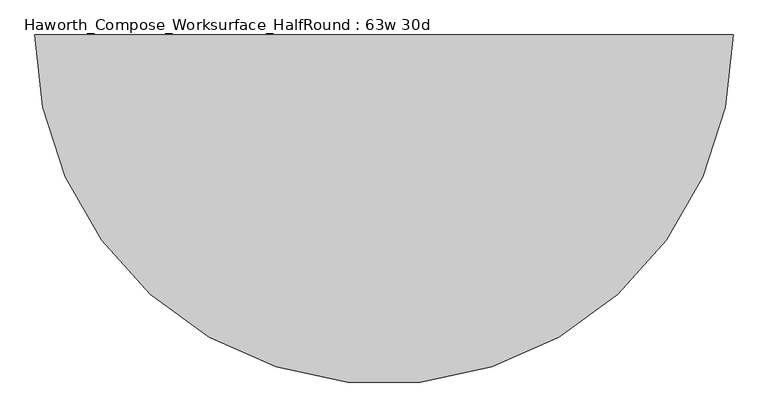
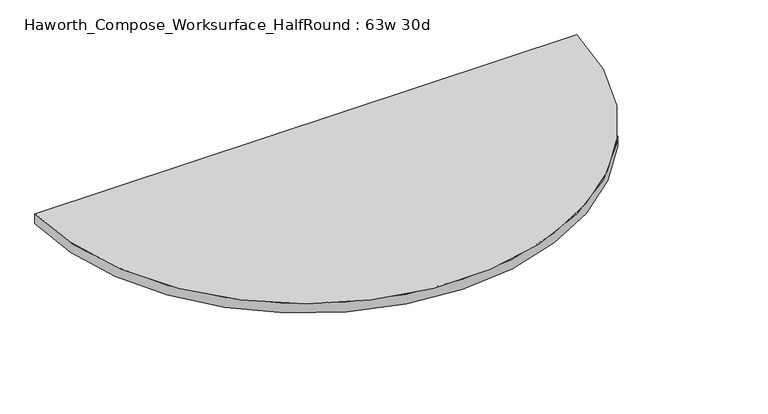
"""IFC4 building model written with IfcOpenShell, lengths in millimetres: furniture geometry, Haworth_Compose_Worksurface_HalfRound : 63w 30d."""

from ifc_helpers import new_model, si_unit, point, frame, frame_2d, origin, place, context, project, spatial, polyline, circle_curve, trimmed, segment, composite_curve, outline, extrude, source, transform, mapped, element, save


def haworth_compose_worksurface_halfround_63w_30d_0aa02306(model_context):
    return source(origin(), model_context, "Body", "SweptSolid", [
        extrude(outline(composite_curve([segment(polyline([(-800.1, 400.05), (800.1, 400.05)]), True, "CONTINUOUS"), segment(trimmed(circle_curve(frame_2d((0.0, 400.05)), 800.1), [point((800.1, 400.05))], [point((-800.1, 400.05))], False, "CARTESIAN"), True, "CONTINUOUS")], self_intersect=False)), frame((0.0, 0.0, 706.4375), z_axis=(0.0, 0.0, 1.0), x_axis=(1.0, 0.0, 0.0)), (0.0, 0.0, 1.0), 30.1625),
    ])


if __name__ == "__main__":
    model = new_model("IFC4")
    model_context = context("Model", 3, world=origin())
    ifc_project = project(units=[si_unit("LENGTHUNIT", "METRE", prefix="MILLI")], contexts=[model_context])
    site = spatial("IfcSite", under=ifc_project)
    building = spatial("IfcBuilding", under=site)
    placement = place(None, origin())
    haworth_compose_worksurface_halfround_63w_30d_shape = haworth_compose_worksurface_halfround_63w_30d_0aa02306(model_context)
    element("IfcFurniture", 1, ObjectType="Haworth_Compose_Worksurface_HalfRound : 63w 30d", at=placement, inside=building, context=model_context, shape_type="MappedRepresentation", body=[
        mapped(haworth_compose_worksurface_halfround_63w_30d_shape, transform((0.0, 0.0, 0.0), x_axis=(1.0, 0.0, 0.0), y_axis=(0.0, 1.0, 0.0), z_axis=(0.0, 0.0, 1.0))),
    ])
    save(model, "model.ifc")
